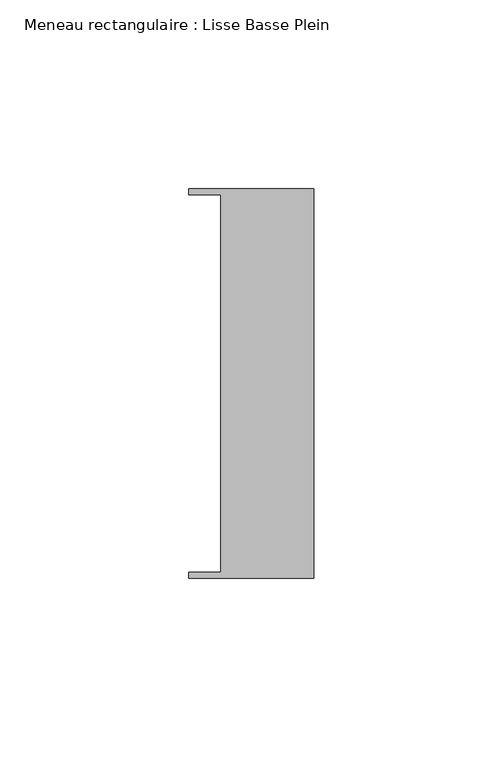
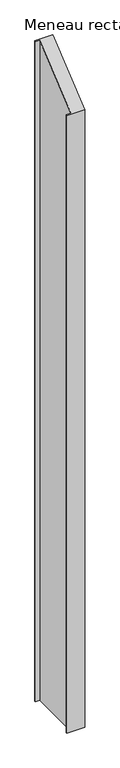
"""IFC4 building model written with IfcOpenShell, lengths in millimetres: member geometry, Meneau rectangulaire : Lisse Basse Plein."""

from ifc_helpers import new_model, si_unit, origin, place, context, project, spatial, faceted_brep, source, transform, mapped, element, save


def meneau_rectangulaire_lisse_basse_plein_0195a05a(model_context):
    return source(origin(), model_context, "Body", "Brep", [
        faceted_brep([(0.0, -51.5026203, -1254.2000003), (-33.0710396, -51.5026203, -1254.2000003), (-33.0710396, -49.9505686, -1254.2000003), (-24.7130865, -49.9505686, -1254.2000003), (-24.7130865, 49.9505686, -1254.2000003), (-33.0710396, 49.9505686, -1254.2000003), (-33.0710396, 51.5026203, -1254.2000003), (0.0, 51.5026203, -1254.2000003), (0.0, 51.5026203, 42.4554839), (0.0, -51.5026203, -42.4554839), (-33.0710396, 51.5026203, 42.4554839), (-33.0710396, 49.9505686, 41.1760712), (-24.7130865, 49.9505686, 41.1760712), (-24.7130865, -49.9505686, -41.1760712), (-33.0710396, -49.9505686, -41.1760712), (-33.0710396, -51.5026203, -42.4554839)], [[[0, 1, 2, 3, 4, 5, 6, 7]], [[8, 9, 0, 7]], [[10, 8, 7, 6]], [[11, 10, 6, 5]], [[12, 11, 5, 4]], [[13, 12, 4, 3]], [[14, 13, 3, 2]], [[15, 14, 2, 1]], [[9, 15, 1, 0]], [[9, 8, 10, 11, 12, 13, 14, 15]]]),
    ])


if __name__ == "__main__":
    model = new_model("IFC4")
    model_context = context("Model", 3, world=origin())
    ifc_project = project(units=[si_unit("LENGTHUNIT", "METRE", prefix="MILLI")], contexts=[model_context])
    site = spatial("IfcSite", under=ifc_project)
    building = spatial("IfcBuilding", under=site)
    placement = place(None, origin())
    meneau_rectangulaire_lisse_basse_plein_shape = meneau_rectangulaire_lisse_basse_plein_0195a05a(model_context)
    element("IfcMember", 1, ObjectType="Meneau rectangulaire : Lisse Basse Plein", at=placement, inside=building, context=model_context, shape_type="MappedRepresentation", body=[
        mapped(meneau_rectangulaire_lisse_basse_plein_shape, transform((0.0, 0.0, 0.0), x_axis=(1.0, 0.0, 0.0), y_axis=(0.0, 1.0, 0.0), z_axis=(0.0, 0.0, 1.0))),
    ])
    save(model, "model.ifc")
